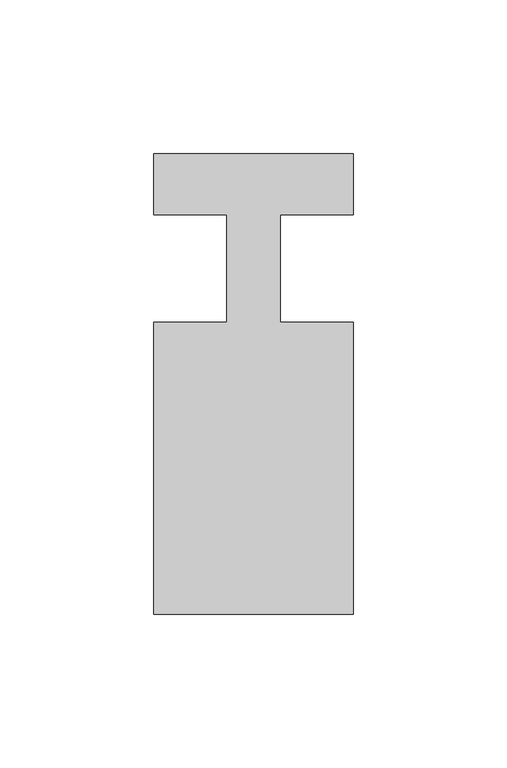
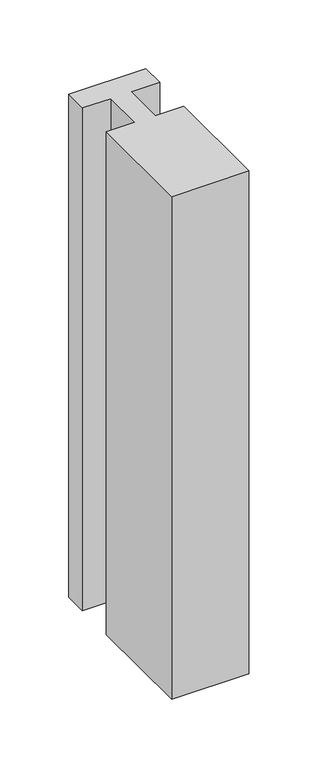
"""IFC4 building model written with IfcOpenShell, lengths in millimetres: member geometry."""

from ifc_helpers import new_model, si_unit, frame, origin, place, context, project, spatial, polyline, outline, extrude, source, transform, mapped, element, save


def member_ebcdee2b(model_context):
    return source(origin(), model_context, "Body", "SweptSolid", [
        extrude(outline(polyline([(-32.5, 37.0), (32.5, 37.0), (32.5, 17.0), (8.6875, 17.0), (8.6875, -18.0), (32.5, -18.0), (32.5, -113.0), (-32.5, -113.0), (-32.5, -18.0), (-8.6875, -18.0), (-8.6875, 17.0), (-32.5, 17.0), (-32.5, 37.0)])), frame((0.0, 0.0, -446.90625), z_axis=(0.0, 0.0, 1.0), x_axis=(1.0, 0.0, 0.0)), (0.0, 0.0, 1.0), 446.90625),
    ])


if __name__ == "__main__":
    model = new_model("IFC4")
    model_context = context("Model", 3, world=origin())
    ifc_project = project(units=[si_unit("LENGTHUNIT", "METRE", prefix="MILLI")], contexts=[model_context])
    site = spatial("IfcSite", under=ifc_project)
    building = spatial("IfcBuilding", under=site)
    placement = place(None, origin())
    member_shape = member_ebcdee2b(model_context)
    element("IfcMember", 1, at=placement, inside=building, context=model_context, shape_type="MappedRepresentation", body=[
        mapped(member_shape, transform((0.0, 0.0, 0.0), x_axis=(1.0, 0.0, 0.0), y_axis=(0.0, 1.0, 0.0), z_axis=(0.0, 0.0, 1.0))),
    ])
    save(model, "model.ifc")
